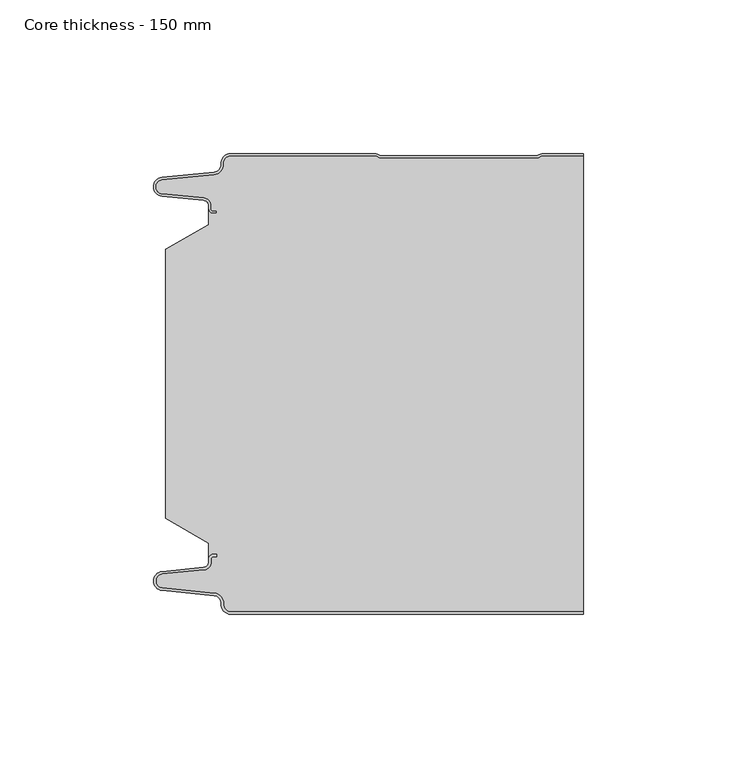
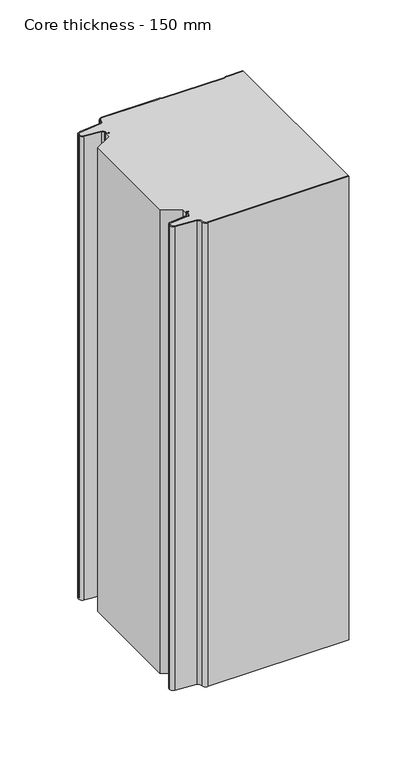
"""IFC4 building model written with IfcOpenShell, lengths in millimetres: plate geometry, Core thickness - 150 mm."""

import ifcopenshell
import ifcopenshell.guid

model = None  # the IFC model being written
_history = None  # IfcOwnerHistory: only IFC2X3 demands one
_inside = {}  # id of a spatial element -> (the spatial element, [elements in it])
_under = {}  # id of a project, library or spatial element -> (it, [spatial elements below it])
_declared = {}  # id of a project -> (the project, [libraries it declares])
_typed = {}  # id of a type object -> (the type object, [elements of that type])
_made_of = {}  # id of a material, layer set ... -> (it, [elements and type objects made of it])


def new_model(schema):
    """Start an empty IFC model of exactly this schema.

    Asked for "IFC4X3", IfcOpenShell would pick the latest addendum, in which some entities
    have other attributes; the version numbers below select the first issue.
    IFC2X3 requires an IfcOwnerHistory on every rooted entity: one is made here for all.
    """
    global model, _history
    if schema == "IFC4X3":
        model = ifcopenshell.file(schema_version=(4, 3, 0, 0))
    else:
        model = ifcopenshell.file(schema=schema)
    _inside.clear()
    _under.clear()
    _declared.clear()
    _typed.clear()
    _made_of.clear()
    _history = None
    if model.schema == "IFC2X3":
        org = make("IfcOrganization", Name="unknown")
        user = make(
            "IfcPersonAndOrganization",
            ThePerson=make("IfcPerson", FamilyName="unknown"),
            TheOrganization=org,
        )
        app = make(
            "IfcApplication",
            ApplicationDeveloper=org,
            Version="unknown",
            ApplicationFullName="unknown",
            ApplicationIdentifier="unknown",
        )
        _history = make(
            "IfcOwnerHistory",
            OwningUser=user,
            OwningApplication=app,
            ChangeAction="ADDED",
            CreationDate=0,
        )
    return model


def make(cls, **values):
    """One entity of the class cls with the attributes given. An attribute that is None is left unset."""
    return model.create_entity(
        cls, **{name: value for name, value in values.items() if value is not None}
    )


def rooted(cls, **values):
    """An entity with a GlobalId (a new one), such as an element, a storey or a relation."""
    return make(cls, GlobalId=ifcopenshell.guid.new(), OwnerHistory=_history, **values)


def si_unit(unit_type, name, prefix=None):
    """IfcSIUnit, for example si_unit("LENGTHUNIT", "METRE", prefix="MILLI")."""
    return make("IfcSIUnit", UnitType=unit_type, Prefix=prefix, Name=name)


def assignment(units):
    """IfcUnitAssignment: the units of a project."""
    return None if units is None else make("IfcUnitAssignment", Units=units)


def point(xyz):
    """IfcCartesianPoint."""
    return None if xyz is None else make("IfcCartesianPoint", Coordinates=xyz)


def direction(xyz):
    """IfcDirection."""
    return None if xyz is None else make("IfcDirection", DirectionRatios=xyz)


def frame(location, z_axis=None, x_axis=None):
    """IfcAxis2Placement3D, a coordinate frame: its origin and axes. An axis left out is left unset."""
    return make(
        "IfcAxis2Placement3D",
        Location=point(location),
        Axis=direction(z_axis),
        RefDirection=direction(x_axis),
    )


def origin():
    """The frame at (0, 0, 0) with its axes left unset."""
    return frame((0.0, 0.0, 0.0))


def place(relative_to, where):
    """IfcLocalPlacement: puts the frame where relative to a parent placement (None: the world)."""
    return make(
        "IfcLocalPlacement", PlacementRelTo=relative_to, RelativePlacement=where
    )


def context(
    kind, dimensions, precision=None, world=None, true_north=None, identifier=None
):
    """IfcGeometricRepresentationContext, for example the 3D "Model" context."""
    return make(
        "IfcGeometricRepresentationContext",
        ContextIdentifier=identifier,
        ContextType=kind,
        CoordinateSpaceDimension=dimensions,
        Precision=precision,
        WorldCoordinateSystem=world,
        TrueNorth=true_north,
    )


def project(units=None, contexts=None):
    """IfcProject with its units and contexts."""
    return rooted(
        "IfcProject",
        Name="project",
        RepresentationContexts=contexts,
        UnitsInContext=assignment(units),
    )


def spatial(cls, under=None, at=None, **own):
    """A site, building, storey or space (cls), placed at a placement, below another one or the project."""
    s = rooted(cls, ObjectPlacement=at, **own)
    if under is not None:
        _under.setdefault(under.id(), (under, []))[1].append(s)
    return s


def polyline(points):
    """IfcPolyline through the points."""
    return make("IfcPolyline", Points=[point(p) for p in points])


def circle_curve(where, radius):
    """IfcCircle in the frame where."""
    return make("IfcCircle", Position=where, Radius=radius)


def shape(context_of_items, identifier, shape_type, items):
    """IfcShapeRepresentation: the items that make up one representation, for example the "Body"."""
    return make(
        "IfcShapeRepresentation",
        ContextOfItems=context_of_items,
        RepresentationIdentifier=identifier,
        RepresentationType=shape_type,
        Items=items,
    )


def source(mapping_origin, context_of_items, identifier, shape_type, items):
    """IfcRepresentationMap: a shape defined once, which mapped items show again and again."""
    return make(
        "IfcRepresentationMap",
        MappingOrigin=mapping_origin,
        MappedRepresentation=shape(context_of_items, identifier, shape_type, items),
    )


def transform(
    local_origin,
    x_axis=None,
    y_axis=None,
    z_axis=None,
    scale=None,
    scale2=None,
    scale3=None,
    uniform=True,
):
    """IfcCartesianTransformationOperator3D, or its non-uniform kind. x_axis, y_axis, z_axis: its Axis1, 2, 3."""
    if uniform:
        return make(
            "IfcCartesianTransformationOperator3D",
            Axis1=direction(x_axis),
            Axis2=direction(y_axis),
            LocalOrigin=point(local_origin),
            Scale=scale,
            Axis3=direction(z_axis),
        )
    return make(
        "IfcCartesianTransformationOperator3DnonUniform",
        Axis1=direction(x_axis),
        Axis2=direction(y_axis),
        LocalOrigin=point(local_origin),
        Scale=scale,
        Axis3=direction(z_axis),
        Scale2=scale2,
        Scale3=scale3,
    )


def mapped(mapping_source, mapping_target):
    """IfcMappedItem: shows the shape of a source again, moved by a transform."""
    return make(
        "IfcMappedItem", MappingSource=mapping_source, MappingTarget=mapping_target
    )


def made_of(thing, what):
    """Note that an element or type object is made of a material, layer set ...; save() writes the relation."""
    if what is not None:
        _made_of.setdefault(what.id(), (what, []))[1].append(thing)
    return thing


def element(
    cls,
    number,
    at=None,
    inside=None,
    cuts=None,
    type_object=None,
    material=None,
    context=None,
    identifier="Body",
    shape_type=None,
    held_by="IfcProductDefinitionShape",
    body=None,
    shapes=None,
    **own,
):
    """One element of the class cls, such as IfcWall. Its Tag is "e" and its number.

    at: its placement. inside: the storey or other place that contains it. cuts: it is an
    opening in that element (IfcRelVoidsElement). A single representation is given by context,
    identifier, shape_type and body (its items); several are given by shapes. held_by: the class
    of the entity that holds the representations. save() writes the other relations.
    """
    e = rooted(cls, Tag="e%d" % number, ObjectPlacement=at, **own)
    if body is not None:
        shapes = [shape(context, identifier, shape_type, body)]
    if shapes is not None:
        e.Representation = make(held_by, Representations=shapes)
    if inside is not None:
        _inside.setdefault(inside.id(), (inside, []))[1].append(e)
    if cuts is not None:
        rooted(
            "IfcRelVoidsElement", RelatingBuildingElement=cuts, RelatedOpeningElement=e
        )
    if type_object is not None:
        _typed.setdefault(type_object.id(), (type_object, []))[1].append(e)
    return made_of(e, material)


def aggregate(whole, parts):
    """IfcRelAggregates: a whole, such as a stair, and the parts it consists of."""
    return rooted("IfcRelAggregates", RelatingObject=whole, RelatedObjects=parts)


def save(model, path):
    """Write the relations noted so far, then the file.

    IfcRelAggregates (storeys below a building ...), IfcRelContainedInSpatialStructure (elements
    in a storey), IfcRelDefinesByType, IfcRelAssociatesMaterial and IfcRelDeclares: one each for
    every whole, place, type object, material and project.
    """
    for whole, parts in _under.values():
        aggregate(whole, parts)
    for where, things in _inside.values():
        rooted(
            "IfcRelContainedInSpatialStructure",
            RelatedElements=things,
            RelatingStructure=where,
        )
    for kind, things in _typed.values():
        rooted("IfcRelDefinesByType", RelatedObjects=things, RelatingType=kind)
    for what, things in _made_of.values():
        rooted("IfcRelAssociatesMaterial", RelatedObjects=things, RelatingMaterial=what)
    for by, libraries in _declared.values():
        rooted("IfcRelDeclares", RelatingContext=by, RelatedDefinitions=libraries)
    model.write(path)


def plane_surface(at):
    """IfcPlane: the flat surface through the origin of the frame at, square to its z axis."""
    return make("IfcPlane", Position=at)


def cylinder_surface(at, radius):
    """IfcCylindricalSurface: all points at the distance radius from the z axis of the frame at."""
    return make("IfcCylindricalSurface", Position=at, Radius=radius)


def revolved_surface(curve, axis_point, axis_direction):
    """IfcSurfaceOfRevolution: the curve turned about the line through axis_point along axis_direction."""
    return make(
        "IfcSurfaceOfRevolution",
        SweptCurve=make("IfcArbitraryOpenProfileDef", ProfileType="CURVE", Curve=curve),
        AxisPosition=make("IfcAxis1Placement", Location=point(axis_point), Axis=direction(axis_direction)),
    )


def advanced_brep(points, edges, surfaces, faces):
    """IfcAdvancedBrep: a solid bounded by faces that lie on surfaces and meet in shared edges.

    An edge is (start, end): straight between two places in points (the first is 0);
    or (start, end, curve); or (start, end, curve, False) where it runs against its curve.
    A face is (place in surfaces, loops), or (place, loops, False) where it looks against
    its surface's normal. A loop lists edges by number (the first is 1), with a minus sign
    where the edge is run from its end to its start. The first loop is the outer one.
    """
    corners = [point(p) for p in points]
    vertices = [make("IfcVertexPoint", VertexGeometry=c) for c in corners]
    made = []
    for start, end, *more in edges:
        made.append(
            make(
                "IfcEdgeCurve",
                EdgeStart=vertices[start],
                EdgeEnd=vertices[end],
                EdgeGeometry=more[0] if more else make("IfcPolyline", Points=[corners[start], corners[end]]),
                SameSense=more[1] if len(more) > 1 else True,
            )
        )
    hull = []
    for where, loops, *sense in faces:
        bounds = []
        for j, loop in enumerate(loops):
            ring = [make("IfcOrientedEdge", EdgeElement=made[abs(k) - 1], Orientation=k > 0) for k in loop]
            bounds.append(
                make(
                    "IfcFaceOuterBound" if j == 0 else "IfcFaceBound",
                    Bound=make("IfcEdgeLoop", EdgeList=ring),
                    Orientation=True,
                )
            )
        hull.append(make("IfcAdvancedFace", Bounds=bounds, FaceSurface=surfaces[where], SameSense=sense[0] if sense else True))
    return make("IfcAdvancedBrep", Outer=make("IfcClosedShell", CfsFaces=hull))


def core_thickness_150_mm_d1e0f863(model_context):
    return source(origin(), model_context, "Body", "AdvancedBrep", [
        advanced_brep(
        [(-44.8000003, -149.9996949, 0.0), (-47.9923632, -146.5787437, 0.0), (-50.2560431, -143.9171154, 0.0), (-67.2115315, -142.2546153, 0.0), (-69.9999998, -139.1776715, 0.0), (-67.2115315, -136.1007278, 0.0), (-53.6195785, -134.7680252, 0.0), (-51.9952277, -132.9766159, 0.0), (-51.9952277, -131.8996949, 0.0), (-50.5952277, -130.4996949, 0.0), (-49.4952277, -130.4996949, 0.0), (-49.4952277, -131.2996949, 0.0), (-50.5952277, -131.2996949, 0.0), (-51.1952277, -131.8996949, 0.0), (-51.1952277, -132.9766159, 0.0), (-53.5415122, -135.5642071, 0.0), (-67.1334652, -136.8969097, 0.0), (-69.1999997, -139.1776715, 0.0), (-67.1334652, -141.4584333, 0.0), (-50.1779767, -143.1209335, 0.0), (-47.2078761, -146.6330399, 0.0), (-44.8000003, -149.1996949, 0.0), (69.9999998, -149.2, 0.0), (69.9999998, -149.9996949, 0.0), (-44.8000003, -149.1996949, 400.0), (-47.1942724, -146.6339815, 400.0), (-50.1779767, -143.1209335, 400.0), (-67.1334652, -141.4584333, 400.0), (-69.1999997, -139.1776715, 400.0), (-67.1334652, -136.8969097, 400.0), (-53.5415122, -135.5642071, 400.0), (-51.1952277, -132.9766159, 400.0), (-51.1952277, -131.8996949, 400.0), (-50.5952277, -131.2996949, 400.0), (-49.4952277, -131.2996949, 400.0), (-49.4952277, -130.4996949, 400.0), (-50.5952277, -130.4996949, 400.0), (-51.9952277, -131.8996949, 400.0), (-51.9952277, -132.9766159, 400.0), (-53.6195785, -134.7680252, 400.0), (-67.2115315, -136.1007278, 400.0), (-69.9999998, -139.1776715, 400.0), (-67.2115315, -142.2546153, 400.0), (-50.2560431, -143.9171154, 400.0), (-48.0059668, -146.5778021, 400.0), (-44.8000003, -149.9996949, 400.0), (69.9999998, -149.9996949, 400.0), (69.9999998, -149.2, 400.0)],
        [
            (0, 1, circle_curve(frame((-44.8000003, -146.7996949, 0.0), z_axis=(0.0, 0.0, -1.0), x_axis=(1.0, 0.0, 0.0)), 3.2)),
            (1, 2, circle_curve(frame((-50.5000003, -146.4051839, 0.0), z_axis=(0.0, 0.0, 1.0), x_axis=(1.0, 0.0, 0.0)), 2.5)),
            (2, 3),
            (3, 4, circle_curve(frame((-66.9100003, -139.1793626, 0.0), z_axis=(0.0, 0.0, -1.0), x_axis=(1.0, 0.0, 0.0)), 3.09)),
            (4, 5, circle_curve(frame((-66.9100003, -139.1759805, 0.0), z_axis=(0.0, 0.0, -1.0), x_axis=(1.0, 0.0, 0.0)), 3.09)),
            (5, 6),
            (6, 7, circle_curve(frame((-53.7952277, -132.9766159, 0.0), z_axis=(0.0, 0.0, 1.0), x_axis=(1.0, 0.0, 0.0)), 1.8)),
            (7, 8),
            (8, 9, circle_curve(frame((-50.5952277, -131.8996949, 0.0), z_axis=(0.0, 0.0, -1.0), x_axis=(1.0, 0.0, 0.0)), 1.4)),
            (9, 10),
            (10, 11),
            (11, 12),
            (12, 13, circle_curve(frame((-50.5952277, -131.8996949, 0.0), z_axis=(0.0, 0.0, 1.0), x_axis=(1.0, 0.0, 0.0)), 0.6)),
            (13, 14),
            (14, 15, circle_curve(frame((-53.7952277, -132.9766159, 0.0), z_axis=(0.0, 0.0, -1.0), x_axis=(1.0, 0.0, 0.0)), 2.6)),
            (15, 16),
            (16, 17, circle_curve(frame((-66.9100003, -139.1759805, 0.0), z_axis=(0.0, 0.0, 1.0), x_axis=(1.0, 0.0, 0.0)), 2.29)),
            (17, 18, circle_curve(frame((-66.9100003, -139.1793626, 0.0), z_axis=(0.0, 0.0, 1.0), x_axis=(1.0, 0.0, 0.0)), 2.29)),
            (18, 19),
            (19, 20, circle_curve(frame((-50.5000003, -146.4051839, 0.0), z_axis=(0.0, 0.0, -1.0), x_axis=(1.0, 0.0, 0.0)), 3.3)),
            (20, 21, circle_curve(frame((-44.8000003, -146.7996949, 0.0), z_axis=(0.0, 0.0, 1.0), x_axis=(1.0, 0.0, 0.0)), 2.4)),
            (21, 22),
            (22, 23),
            (23, 0),
            (24, 25, circle_curve(frame((-44.8000003, -146.7996949, 400.0), z_axis=(0.0, 0.0, -1.0), x_axis=(1.0, 0.0, 0.0)), 2.4)),
            (25, 26, circle_curve(frame((-50.5000003, -146.4051839, 400.0), z_axis=(0.0, 0.0, 1.0), x_axis=(1.0, 0.0, 0.0)), 3.3)),
            (26, 27),
            (27, 28, circle_curve(frame((-66.9100003, -139.1793626, 400.0), z_axis=(0.0, 0.0, -1.0), x_axis=(1.0, 0.0, 0.0)), 2.29)),
            (28, 29, circle_curve(frame((-66.9100003, -139.1759805, 400.0), z_axis=(0.0, 0.0, -1.0), x_axis=(1.0, 0.0, 0.0)), 2.29)),
            (29, 30),
            (30, 31, circle_curve(frame((-53.7952277, -132.9766159, 400.0), z_axis=(0.0, 0.0, 1.0), x_axis=(1.0, 0.0, 0.0)), 2.6)),
            (31, 32),
            (32, 33, circle_curve(frame((-50.5952277, -131.8996949, 400.0), z_axis=(0.0, 0.0, -1.0), x_axis=(1.0, 0.0, 0.0)), 0.6)),
            (33, 34),
            (34, 35),
            (35, 36),
            (36, 37, circle_curve(frame((-50.5952277, -131.8996949, 400.0), z_axis=(0.0, 0.0, 1.0), x_axis=(1.0, 0.0, 0.0)), 1.4)),
            (37, 38),
            (38, 39, circle_curve(frame((-53.7952277, -132.9766159, 400.0), z_axis=(0.0, 0.0, -1.0), x_axis=(1.0, 0.0, 0.0)), 1.8)),
            (39, 40),
            (40, 41, circle_curve(frame((-66.9100003, -139.1759805, 400.0), z_axis=(0.0, 0.0, 1.0), x_axis=(1.0, 0.0, 0.0)), 3.09)),
            (41, 42, circle_curve(frame((-66.9100003, -139.1793626, 400.0), z_axis=(0.0, 0.0, 1.0), x_axis=(1.0, 0.0, 0.0)), 3.09)),
            (42, 43),
            (43, 44, circle_curve(frame((-50.5000003, -146.4051839, 400.0), z_axis=(0.0, 0.0, -1.0), x_axis=(1.0, 0.0, 0.0)), 2.5)),
            (44, 45, circle_curve(frame((-44.8000003, -146.7996949, 400.0), z_axis=(0.0, 0.0, 1.0), x_axis=(1.0, 0.0, 0.0)), 3.2)),
            (45, 46),
            (46, 47),
            (47, 24),
            (21, 24),
            (47, 22),
            (20, 25),
            (19, 26),
            (18, 27),
            (17, 28),
            (16, 29),
            (15, 30),
            (14, 31),
            (13, 32),
            (12, 33),
            (11, 34),
            (10, 35),
            (9, 36),
            (8, 37),
            (7, 38),
            (6, 39),
            (5, 40),
            (4, 41),
            (3, 42),
            (2, 43),
            (1, 44),
            (0, 45),
            (23, 46),
        ],
        [
            plane_surface(frame((-69.9999998, -150.0, 0.0), z_axis=(0.0, 0.0, -1.0), x_axis=(0.0, 1.0, 0.0))),
            plane_surface(frame((-69.9999998, -150.0, 400.0), z_axis=(0.0, 0.0, 1.0), x_axis=(0.0, 1.0, 0.0))),
            plane_surface(frame((-44.8000003, -149.2, 0.0), z_axis=(0.0, 1.0, 0.0), x_axis=(0.0, 0.0, 1.0))),
            revolved_surface(polyline([(-42.4000003, -146.7996949, 400.0), (-42.4000003, -146.7996949, 0.0)]), (-44.8000003, -146.7996949, 0.0), (0.0, 0.0, 1.0)),
            cylinder_surface(frame((-50.5000003, -146.4051839, 0.0), z_axis=(0.0, 0.0, -1.0), x_axis=(1.0, 0.0, 0.0)), 3.3),
            plane_surface(frame((-67.1334652, -141.4584333, 0.0), z_axis=(0.09758289975914758, 0.9952273999818314, 0.0), x_axis=(0.0, 0.0, 1.0))),
            revolved_surface(polyline([(-64.62000029999999, -139.1793626, 400.0), (-64.62000029999999, -139.1793626, 0.0)]), (-66.9100003, -139.1793626, 0.0), (0.0, 0.0, 1.0)),
            revolved_surface(polyline([(-64.62000029999999, -139.1759805, 400.0), (-64.62000029999999, -139.1759805, 0.0)]), (-66.9100003, -139.1759805, 0.0), (0.0, 0.0, 1.0)),
            plane_surface(frame((-53.5415122, -135.5642071, 0.0), z_axis=(0.09758289975914383, -0.9952273999818317, 0.0), x_axis=(0.0, 0.0, 1.0))),
            cylinder_surface(frame((-53.7952277, -132.9766159, 0.0), z_axis=(0.0, 0.0, -1.0), x_axis=(1.0, 0.0, 0.0)), 2.6),
            plane_surface(frame((-51.1952277, -131.8996949, 0.0), z_axis=(1.0, 0.0, 0.0), x_axis=(0.0, 0.0, 1.0))),
            revolved_surface(polyline([(-49.9952277, -131.8996949, 400.0), (-49.9952277, -131.8996949, 0.0)]), (-50.5952277, -131.8996949, 0.0), (0.0, 0.0, 1.0)),
            plane_surface(frame((-49.4952277, -131.2996949, 0.0), z_axis=(0.0, -1.0, 0.0), x_axis=(0.0, 0.0, 1.0))),
            plane_surface(frame((-49.4952277, -130.4996949, 0.0), z_axis=(1.0, 0.0, 0.0), x_axis=(0.0, 0.0, 1.0))),
            plane_surface(frame((-50.5952277, -130.4996949, 0.0), z_axis=(0.0, 1.0, 0.0), x_axis=(0.0, 0.0, 1.0))),
            cylinder_surface(frame((-50.5952277, -131.8996949, 0.0), z_axis=(0.0, 0.0, -1.0), x_axis=(1.0, 0.0, 0.0)), 1.4),
            plane_surface(frame((-51.9952277, -132.9766159, 0.0), z_axis=(-1.0, 0.0, 0.0), x_axis=(0.0, 0.0, 1.0))),
            revolved_surface(polyline([(-51.9952277, -132.9766159, 400.0), (-51.9952277, -132.9766159, 0.0)]), (-53.7952277, -132.9766159, 0.0), (0.0, 0.0, 1.0)),
            plane_surface(frame((-67.2115315, -136.1007278, 0.0), z_axis=(-0.09758289975914387, 0.9952273999818317, 0.0), x_axis=(0.0, 0.0, 1.0))),
            cylinder_surface(frame((-66.9100003, -139.1759805, 0.0), z_axis=(0.0, 0.0, -1.0), x_axis=(1.0, 0.0, 0.0)), 3.09),
            cylinder_surface(frame((-66.9100003, -139.1793626, 0.0), z_axis=(0.0, 0.0, -1.0), x_axis=(1.0, 0.0, 0.0)), 3.09),
            plane_surface(frame((-50.2560431, -143.9171154, 0.0), z_axis=(-0.09758289975914762, -0.9952273999818314, 0.0), x_axis=(0.0, 0.0, 1.0))),
            revolved_surface(polyline([(-48.0000003, -146.4051839, 400.0), (-48.0000003, -146.4051839, 0.0)]), (-50.5000003, -146.4051839, 0.0), (0.0, 0.0, 1.0)),
            cylinder_surface(frame((-44.8000003, -146.7996949, 0.0), z_axis=(0.0, 0.0, -1.0), x_axis=(1.0, 0.0, 0.0)), 3.2),
            plane_surface(frame((1046.009932, -149.9996949, 0.0), z_axis=(0.0, -1.0, 0.0), x_axis=(0.0, 0.0, 1.0))),
            plane_surface(frame((69.9999998, 180.0, 400.0), z_axis=(1.0, 0.0, 0.0), x_axis=(0.0, 0.0, -1.0))),
        ],
        [
            (0, [[1, 2, 3, 4, 5, 6, 7, 8, 9, 10, 11, 12, 13, 14, 15, 16, 17, 18, 19, 20, 21, 22, 23, 24]]),
            (1, [[25, 26, 27, 28, 29, 30, 31, 32, 33, 34, 35, 36, 37, 38, 39, 40, 41, 42, 43, 44, 45, 46, 47, 48]]),
            (2, [[49, -48, 50, -22]]),
            (3, [[-21, 51, -25, -49]]),
            (4, [[-20, 52, -26, -51]]),
            (5, [[-19, 53, -27, -52]]),
            (6, [[-18, 54, -28, -53]]),
            (7, [[-17, 55, -29, -54]]),
            (8, [[-16, 56, -30, -55]]),
            (9, [[-15, 57, -31, -56]]),
            (10, [[-14, 58, -32, -57]]),
            (11, [[-13, 59, -33, -58]]),
            (12, [[-12, 60, -34, -59]]),
            (13, [[-11, 61, -35, -60]]),
            (14, [[-10, 62, -36, -61]]),
            (15, [[-9, 63, -37, -62]]),
            (16, [[-8, 64, -38, -63]]),
            (17, [[-7, 65, -39, -64]]),
            (18, [[-6, 66, -40, -65]]),
            (19, [[-5, 67, -41, -66]]),
            (20, [[-4, 68, -42, -67]]),
            (21, [[-3, 69, -43, -68]]),
            (22, [[-2, 70, -44, -69]]),
            (23, [[-1, 71, -45, -70]]),
            (24, [[-71, -24, 72, -46]]),
            (25, [[-23, -50, -47, -72]]),
        ],
    ),
        advanced_brep(
        [(-51.9952277, -23.1062917, 400.0), (-66.0446509, -31.1628062, 400.0), (-66.0446509, -118.7531937, 400.0), (-51.9952277, -126.8937083, 400.0), (-51.9952277, -130.4996949, 400.0), (-51.9952277, -131.8996949, 400.0), (-50.5952277, -130.4996949, 400.0), (-49.4952277, -130.4996949, 400.0), (-49.4952277, -131.2996949, 400.0), (-50.5952277, -131.2996949, 400.0), (-51.1952277, -131.8996949, 400.0), (-51.1952277, -132.9766159, 400.0), (-53.5415122, -135.5642071, 400.0), (-67.1334652, -136.8969097, 400.0), (-69.1999997, -139.1776715, 400.0), (-67.1334652, -141.4584333, 400.0), (-50.1779767, -143.1209335, 400.0), (-47.2078761, -146.6330399, 400.0), (-44.8000003, -149.1996949, 400.0), (69.9999998, -149.2, 400.0), (69.9999998, -0.8, 400.0), (57.0487965, -0.8, 400.0), (55.9973806, -1.0986697, 400.0), (54.5769997, -1.5003051, 400.0), (4.4172165, -1.5003051, 400.0), (2.9978051, -1.0971009, 400.0), (1.9454197, -0.8, 400.0), (-44.8000003, -0.8, 400.0), (-47.1942724, -3.3660185, 400.0), (-50.1779767, -6.8790665, 400.0), (-67.1334652, -8.5415667, 400.0), (-69.1999997, -10.8223285, 400.0), (-67.1334652, -13.1030903, 400.0), (-53.5415122, -14.4357929, 400.0), (-51.1952277, -17.0233841, 400.0), (-51.1952277, -18.1003051, 400.0), (-50.5952277, -18.7003051, 400.0), (-49.4952277, -18.7003051, 400.0), (-49.4952277, -19.5003051, 400.0), (-50.5952277, -19.5003051, 400.0), (-51.9952277, -18.1003051, 400.0), (-51.9952277, -19.5003051, 400.0), (-51.9952277, -126.8937083, 0.0), (-66.0446509, -118.7531937, 0.0), (-66.0446509, -31.1628062, 0.0), (-51.9952277, -23.1062917, 0.0), (-51.9952277, -19.5003051, 0.0), (-51.9952277, -18.1003051, 0.0), (-50.5952277, -19.5003051, 0.0), (-49.4952277, -19.5003051, 0.0), (-49.4952277, -18.7003051, 0.0), (-50.5952277, -18.7003051, 0.0), (-51.1952277, -18.1003051, 0.0), (-51.1952277, -17.0233841, 0.0), (-53.5415122, -14.4357929, 0.0), (-67.1334652, -13.1030903, 0.0), (-69.1999997, -10.8223285, 0.0), (-67.1334652, -8.5415667, 0.0), (-50.1779767, -6.8790665, 0.0), (-47.2078761, -3.3669601, 0.0), (-44.8000003, -0.8003051, 0.0), (1.9454197, -0.8, 0.0), (2.9968355, -1.0986697, 0.0), (4.4172165, -1.5003051, 0.0), (54.5769997, -1.5003051, 0.0), (55.9964111, -1.0971009, 0.0), (57.0487965, -0.8, 0.0), (69.9999998, -0.8, 0.0), (69.9999998, -149.2, 0.0), (-44.8000003, -149.2, 0.0), (-47.1942724, -146.6339815, 0.0), (-50.1779767, -143.1209335, 0.0), (-67.1334652, -141.4584333, 0.0), (-69.1999997, -139.1776715, 0.0), (-67.1334652, -136.8969097, 0.0), (-53.5415122, -135.5642071, 0.0), (-51.1952277, -132.9766159, 0.0), (-51.1952277, -131.8996949, 0.0), (-50.5952277, -131.2996949, 0.0), (-49.4952277, -131.2996949, 0.0), (-49.4952277, -130.4996949, 0.0), (-50.5952277, -130.4996949, 0.0), (-51.9952277, -131.8996949, 0.0), (-51.9952277, -130.4996949, 0.0)],
        [
            (0, 1),
            (1, 2),
            (2, 3),
            (3, 4),
            (4, 5),
            (5, 6, circle_curve(frame((-50.5952277, -131.8996949, 400.0), z_axis=(0.0, 0.0, -1.0), x_axis=(1.0, 0.0, 0.0)), 1.4)),
            (6, 7),
            (7, 8),
            (8, 9),
            (9, 10, circle_curve(frame((-50.5952277, -131.8996949, 400.0), z_axis=(0.0, 0.0, 1.0), x_axis=(1.0, 0.0, 0.0)), 0.6)),
            (10, 11),
            (11, 12, circle_curve(frame((-53.7952277, -132.9766159, 400.0), z_axis=(0.0, 0.0, -1.0), x_axis=(1.0, 0.0, 0.0)), 2.6)),
            (12, 13),
            (13, 14, circle_curve(frame((-66.9100003, -139.1759805, 400.0), z_axis=(0.0, 0.0, 1.0), x_axis=(1.0, 0.0, 0.0)), 2.29)),
            (14, 15, circle_curve(frame((-66.9100003, -139.1793626, 400.0), z_axis=(0.0, 0.0, 1.0), x_axis=(1.0, 0.0, 0.0)), 2.29)),
            (15, 16),
            (16, 17, circle_curve(frame((-50.5000003, -146.4051839, 400.0), z_axis=(0.0, 0.0, -1.0), x_axis=(1.0, 0.0, 0.0)), 3.3)),
            (17, 18, circle_curve(frame((-44.8000003, -146.7996949, 400.0), z_axis=(0.0, 0.0, 1.0), x_axis=(1.0, 0.0, 0.0)), 2.4)),
            (18, 19),
            (19, 20),
            (20, 21),
            (21, 22, circle_curve(frame((57.0487965, -2.8, 400.0), z_axis=(0.0, 0.0, 1.0), x_axis=(1.0, 0.0, 0.0)), 2.0)),
            (22, 23, circle_curve(frame((54.5769997, 1.1996949, 400.0), z_axis=(0.0, 0.0, -1.0), x_axis=(1.0, 0.0, 0.0)), 2.7)),
            (23, 24),
            (24, 25, circle_curve(frame((4.4172165, 1.1996949, 400.0), z_axis=(0.0, 0.0, -1.0), x_axis=(1.0, 0.0, 0.0)), 2.7)),
            (25, 26, circle_curve(frame((1.9454197, -2.8, 400.0), z_axis=(0.0, 0.0, 1.0), x_axis=(1.0, 0.0, 0.0)), 2.0)),
            (26, 27),
            (27, 28, circle_curve(frame((-44.8000003, -3.2003051, 400.0), z_axis=(0.0, 0.0, 1.0), x_axis=(1.0, 0.0, 0.0)), 2.4)),
            (28, 29, circle_curve(frame((-50.5000003, -3.5948161, 400.0), z_axis=(0.0, 0.0, -1.0), x_axis=(1.0, 0.0, 0.0)), 3.3)),
            (29, 30),
            (30, 31, circle_curve(frame((-66.9100003, -10.8206374, 400.0), z_axis=(0.0, 0.0, 1.0), x_axis=(1.0, 0.0, 0.0)), 2.29)),
            (31, 32, circle_curve(frame((-66.9100003, -10.8240195, 400.0), z_axis=(0.0, 0.0, 1.0), x_axis=(1.0, 0.0, 0.0)), 2.29)),
            (32, 33),
            (33, 34, circle_curve(frame((-53.7952277, -17.0233841, 400.0), z_axis=(0.0, 0.0, -1.0), x_axis=(1.0, 0.0, 0.0)), 2.6)),
            (34, 35),
            (35, 36, circle_curve(frame((-50.5952277, -18.1003051, 400.0), z_axis=(0.0, 0.0, 1.0), x_axis=(1.0, 0.0, 0.0)), 0.6)),
            (36, 37),
            (37, 38),
            (38, 39),
            (39, 40, circle_curve(frame((-50.5952277, -18.1003051, 400.0), z_axis=(0.0, 0.0, -1.0), x_axis=(1.0, 0.0, 0.0)), 1.4)),
            (40, 41),
            (41, 0),
            (42, 43),
            (43, 44),
            (44, 45),
            (45, 46),
            (46, 47),
            (47, 48, circle_curve(frame((-50.5952277, -18.1003051, 0.0), z_axis=(0.0, 0.0, 1.0), x_axis=(1.0, 0.0, 0.0)), 1.4)),
            (48, 49),
            (49, 50),
            (50, 51),
            (51, 52, circle_curve(frame((-50.5952277, -18.1003051, 0.0), z_axis=(0.0, 0.0, -1.0), x_axis=(1.0, 0.0, 0.0)), 0.6)),
            (52, 53),
            (53, 54, circle_curve(frame((-53.7952277, -17.0233841, 0.0), z_axis=(0.0, 0.0, 1.0), x_axis=(1.0, 0.0, 0.0)), 2.6)),
            (54, 55),
            (55, 56, circle_curve(frame((-66.9100003, -10.8240195, 0.0), z_axis=(0.0, 0.0, -1.0), x_axis=(1.0, 0.0, 0.0)), 2.29)),
            (56, 57, circle_curve(frame((-66.9100003, -10.8206374, 0.0), z_axis=(0.0, 0.0, -1.0), x_axis=(1.0, 0.0, 0.0)), 2.29)),
            (57, 58),
            (58, 59, circle_curve(frame((-50.5000003, -3.5948161, 0.0), z_axis=(0.0, 0.0, 1.0), x_axis=(1.0, 0.0, 0.0)), 3.3)),
            (59, 60, circle_curve(frame((-44.8000003, -3.2003051, 0.0), z_axis=(0.0, 0.0, -1.0), x_axis=(1.0, 0.0, 0.0)), 2.4)),
            (60, 61),
            (61, 62, circle_curve(frame((1.9454197, -2.8, 0.0), z_axis=(0.0, 0.0, -1.0), x_axis=(1.0, 0.0, 0.0)), 2.0)),
            (62, 63, circle_curve(frame((4.4172165, 1.1996949, 0.0), z_axis=(0.0, 0.0, 1.0), x_axis=(1.0, 0.0, 0.0)), 2.7)),
            (63, 64),
            (64, 65, circle_curve(frame((54.5769997, 1.1996949, 0.0), z_axis=(0.0, 0.0, 1.0), x_axis=(1.0, 0.0, 0.0)), 2.7)),
            (65, 66, circle_curve(frame((57.0487965, -2.8, 0.0), z_axis=(0.0, 0.0, -1.0), x_axis=(1.0, 0.0, 0.0)), 2.0)),
            (66, 67),
            (67, 68),
            (68, 69),
            (69, 70, circle_curve(frame((-44.8000003, -146.7996949, 0.0), z_axis=(0.0, 0.0, -1.0), x_axis=(1.0, 0.0, 0.0)), 2.4)),
            (70, 71, circle_curve(frame((-50.5000003, -146.4051839, 0.0), z_axis=(0.0, 0.0, 1.0), x_axis=(1.0, 0.0, 0.0)), 3.3)),
            (71, 72),
            (72, 73, circle_curve(frame((-66.9100003, -139.1793626, 0.0), z_axis=(0.0, 0.0, -1.0), x_axis=(1.0, 0.0, 0.0)), 2.29)),
            (73, 74, circle_curve(frame((-66.9100003, -139.1759805, 0.0), z_axis=(0.0, 0.0, -1.0), x_axis=(1.0, 0.0, 0.0)), 2.29)),
            (74, 75),
            (75, 76, circle_curve(frame((-53.7952277, -132.9766159, 0.0), z_axis=(0.0, 0.0, 1.0), x_axis=(1.0, 0.0, 0.0)), 2.6)),
            (76, 77),
            (77, 78, circle_curve(frame((-50.5952277, -131.8996949, 0.0), z_axis=(0.0, 0.0, -1.0), x_axis=(1.0, 0.0, 0.0)), 0.6)),
            (78, 79),
            (79, 80),
            (80, 81),
            (81, 82, circle_curve(frame((-50.5952277, -131.8996949, 0.0), z_axis=(0.0, 0.0, 1.0), x_axis=(1.0, 0.0, 0.0)), 1.4)),
            (82, 83),
            (83, 42),
            (45, 0),
            (40, 47),
            (1, 44),
            (43, 2),
            (42, 3),
            (82, 5),
            (18, 69),
            (68, 19),
            (17, 70),
            (16, 71),
            (15, 72),
            (14, 73),
            (13, 74),
            (12, 75),
            (11, 76),
            (10, 77),
            (9, 78),
            (8, 79),
            (7, 80),
            (6, 81),
            (60, 27),
            (26, 61),
            (25, 62),
            (24, 63),
            (23, 64),
            (22, 65),
            (21, 66),
            (20, 67),
            (39, 48),
            (38, 49),
            (37, 50),
            (36, 51),
            (35, 52),
            (34, 53),
            (33, 54),
            (32, 55),
            (31, 56),
            (30, 57),
            (29, 58),
            (28, 59),
        ],
        [
            plane_surface(frame((-69.9999998, 0.0, 400.0), z_axis=(0.0, 0.0, 1.0), x_axis=(0.0, -1.0, 0.0))),
            plane_surface(frame((-69.9999998, 0.0, 0.0), z_axis=(0.0, 0.0, -1.0), x_axis=(0.0, -1.0, 0.0))),
            plane_surface(frame((-51.9952277, -17.0229218, 400.0), z_axis=(-1.0, 0.0, 0.0), x_axis=(0.0, 0.0, -1.0))),
            plane_surface(frame((-66.0446509, -31.1628062, 400.0), z_axis=(-1.0, 0.0, 0.0), x_axis=(0.0, 0.0, -1.0))),
            plane_surface(frame((-51.9952277, -23.1062917, 400.0), z_axis=(-0.4974543664933155, 0.8674901459133322, 0.0), x_axis=(0.0, 0.0, -1.0))),
            plane_surface(frame((-66.0446509, -118.7531937, 400.0), z_axis=(-0.5013424225369607, -0.8652489672717164, 0.0), x_axis=(0.0, 0.0, -1.0))),
            plane_surface(frame((-51.9952277, -126.8937083, 400.0), z_axis=(-1.0, 0.0, 0.0), x_axis=(0.0, 0.0, -1.0))),
            plane_surface(frame((1046.009932, -149.2, 530.0), z_axis=(0.0, -1.0, 0.0), x_axis=(0.0, 0.0, -1.0))),
            cylinder_surface(frame((-44.8000003, -146.7996949, 530.0), z_axis=(0.0, 0.0, -1.0), x_axis=(1.0, 0.0, 0.0)), 2.4),
            revolved_surface(polyline([(-47.200000300000006, -146.4051839, 400.0), (-47.200000300000006, -146.4051839, 0.0)]), (-50.5000003, -146.4051839, 530.0), (0.0, 0.0, 1.0)),
            plane_surface(frame((-50.1779767, -143.1209335, 530.0), z_axis=(-0.09758289975914758, -0.9952273999818314, 0.0), x_axis=(0.0, 0.0, -1.0))),
            cylinder_surface(frame((-66.9100003, -139.1793626, 530.0), z_axis=(0.0, 0.0, -1.0), x_axis=(1.0, 0.0, 0.0)), 2.29),
            cylinder_surface(frame((-66.9100003, -139.1759805, 530.0), z_axis=(0.0, 0.0, -1.0), x_axis=(1.0, 0.0, 0.0)), 2.29),
            plane_surface(frame((-67.1334652, -136.8969097, 530.0), z_axis=(-0.09758289975914383, 0.9952273999818317, 0.0), x_axis=(0.0, 0.0, -1.0))),
            revolved_surface(polyline([(-51.1952277, -132.9766159, 400.0), (-51.1952277, -132.9766159, 0.0)]), (-53.7952277, -132.9766159, 530.0), (0.0, 0.0, 1.0)),
            plane_surface(frame((-51.1952277, -132.9766159, 530.0), z_axis=(-1.0, 0.0, 0.0), x_axis=(0.0, 0.0, -1.0))),
            cylinder_surface(frame((-50.5952277, -131.8996949, 530.0), z_axis=(0.0, 0.0, -1.0), x_axis=(1.0, 0.0, 0.0)), 0.6),
            plane_surface(frame((-50.5952277, -131.2996949, 530.0), z_axis=(0.0, 1.0, 0.0), x_axis=(0.0, 0.0, -1.0))),
            plane_surface(frame((-49.4952277, -131.2996949, 530.0), z_axis=(-1.0, 0.0, 0.0), x_axis=(0.0, 0.0, -1.0))),
            plane_surface(frame((-49.4952277, -130.4996949, 530.0), z_axis=(0.0, -1.0, 0.0), x_axis=(0.0, 0.0, -1.0))),
            revolved_surface(polyline([(-49.195227700000004, -131.8996949, 400.0), (-49.195227700000004, -131.8996949, 0.0)]), (-50.5952277, -131.8996949, 530.0), (0.0, 0.0, 1.0)),
            plane_surface(frame((-44.8000003, -0.8, 530.0), z_axis=(0.0, 1.0, 0.0), x_axis=(0.0, 0.0, -1.0))),
            cylinder_surface(frame((1.9454197, -2.8, 530.0), z_axis=(0.0, 0.0, -1.0), x_axis=(1.0, 0.0, 0.0)), 2.0),
            revolved_surface(polyline([(7.1172165000000005, 1.1996949, 400.0), (7.1172165000000005, 1.1996949, 0.0)]), (4.4172165, 1.1996949, 530.0), (0.0, 0.0, 1.0)),
            plane_surface(frame((4.4172165, -1.5003051, 530.0), z_axis=(0.0, 1.0, 0.0), x_axis=(0.0, 0.0, -1.0))),
            revolved_surface(polyline([(57.276999700000005, 1.1996949, 400.0), (57.276999700000005, 1.1996949, 0.0)]), (54.5769997, 1.1996949, 530.0), (0.0, 0.0, 1.0)),
            cylinder_surface(frame((57.0487965, -2.8, 530.0), z_axis=(0.0, 0.0, -1.0), x_axis=(1.0, 0.0, 0.0)), 2.0),
            plane_surface(frame((57.0487965, -0.8, 530.0), z_axis=(0.0, 1.0, 0.0), x_axis=(0.0, 0.0, -1.0))),
            revolved_surface(polyline([(-49.195227700000004, -18.1003051, 400.0), (-49.195227700000004, -18.1003051, 0.0)]), (-50.5952277, -18.1003051, 530.0), (0.0, 0.0, 1.0)),
            plane_surface(frame((-50.5952277, -19.5003051, 530.0), z_axis=(0.0, 1.0, 0.0), x_axis=(0.0, 0.0, -1.0))),
            plane_surface(frame((-49.4952277, -19.5003051, 530.0), z_axis=(-1.0, 0.0, 0.0), x_axis=(0.0, 0.0, -1.0))),
            plane_surface(frame((-49.4952277, -18.7003051, 530.0), z_axis=(0.0, -1.0, 0.0), x_axis=(0.0, 0.0, -1.0))),
            cylinder_surface(frame((-50.5952277, -18.1003051, 530.0), z_axis=(0.0, 0.0, -1.0), x_axis=(1.0, 0.0, 0.0)), 0.6),
            plane_surface(frame((-51.1952277, -18.1003051, 530.0), z_axis=(-1.0, 0.0, 0.0), x_axis=(0.0, 0.0, -1.0))),
            revolved_surface(polyline([(-51.1952277, -17.0233841, 400.0), (-51.1952277, -17.0233841, 0.0)]), (-53.7952277, -17.0233841, 530.0), (0.0, 0.0, 1.0)),
            plane_surface(frame((-53.5415122, -14.4357929, 530.0), z_axis=(-0.09758289975914705, -0.9952273999818314, 0.0), x_axis=(0.0, 0.0, -1.0))),
            cylinder_surface(frame((-66.9100003, -10.8240195, 530.0), z_axis=(0.0, 0.0, -1.0), x_axis=(1.0, 0.0, 0.0)), 2.29),
            cylinder_surface(frame((-66.9100003, -10.8206374, 530.0), z_axis=(0.0, 0.0, -1.0), x_axis=(1.0, 0.0, 0.0)), 2.29),
            plane_surface(frame((-67.1334652, -8.5415667, 530.0), z_axis=(-0.09758289975914436, 0.9952273999818317, 0.0), x_axis=(0.0, 0.0, -1.0))),
            revolved_surface(polyline([(-47.200000300000006, -3.5948161, 400.0), (-47.200000300000006, -3.5948161, 0.0)]), (-50.5000003, -3.5948161, 530.0), (0.0, 0.0, 1.0)),
            cylinder_surface(frame((-44.8000003, -3.2003051, 530.0), z_axis=(0.0, 0.0, -1.0), x_axis=(1.0, 0.0, 0.0)), 2.4),
            plane_surface(frame((69.9999998, 180.0, 400.0), z_axis=(1.0, 0.0, 0.0), x_axis=(0.0, 0.0, -1.0))),
        ],
        [
            (0, [[1, 2, 3, 4, 5, 6, 7, 8, 9, 10, 11, 12, 13, 14, 15, 16, 17, 18, 19, 20, 21, 22, 23, 24, 25, 26, 27, 28, 29, 30, 31, 32, 33, 34, 35, 36, 37, 38, 39, 40, 41, 42]]),
            (1, [[43, 44, 45, 46, 47, 48, 49, 50, 51, 52, 53, 54, 55, 56, 57, 58, 59, 60, 61, 62, 63, 64, 65, 66, 67, 68, 69, 70, 71, 72, 73, 74, 75, 76, 77, 78, 79, 80, 81, 82, 83, 84]]),
            (2, [[85, -42, -41, 86, -47, -46]]),
            (3, [[-2, 87, -44, 88]]),
            (4, [[-1, -85, -45, -87]]),
            (5, [[-3, -88, -43, 89]]),
            (6, [[-89, -84, -83, 90, -5, -4]]),
            (7, [[91, -69, 92, -19]]),
            (8, [[-91, -18, 93, -70]]),
            (9, [[-93, -17, 94, -71]]),
            (10, [[-94, -16, 95, -72]]),
            (11, [[-95, -15, 96, -73]]),
            (12, [[-96, -14, 97, -74]]),
            (13, [[-97, -13, 98, -75]]),
            (14, [[-98, -12, 99, -76]]),
            (15, [[-99, -11, 100, -77]]),
            (16, [[-100, -10, 101, -78]]),
            (17, [[-101, -9, 102, -79]]),
            (18, [[-102, -8, 103, -80]]),
            (19, [[-103, -7, 104, -81]]),
            (20, [[-104, -6, -90, -82]]),
            (21, [[105, -27, 106, -61]]),
            (22, [[-106, -26, 107, -62]]),
            (23, [[-107, -25, 108, -63]]),
            (24, [[-108, -24, 109, -64]]),
            (25, [[-109, -23, 110, -65]]),
            (26, [[-110, -22, 111, -66]]),
            (27, [[-111, -21, 112, -67]]),
            (28, [[113, -48, -86, -40]]),
            (29, [[-113, -39, 114, -49]]),
            (30, [[-114, -38, 115, -50]]),
            (31, [[-115, -37, 116, -51]]),
            (32, [[-116, -36, 117, -52]]),
            (33, [[-117, -35, 118, -53]]),
            (34, [[-118, -34, 119, -54]]),
            (35, [[-119, -33, 120, -55]]),
            (36, [[-120, -32, 121, -56]]),
            (37, [[-121, -31, 122, -57]]),
            (38, [[-122, -30, 123, -58]]),
            (39, [[-123, -29, 124, -59]]),
            (40, [[-105, -60, -124, -28]]),
            (41, [[-92, -68, -112, -20]]),
        ],
    ),
        advanced_brep(
        [(2.9968355, -1.0986697, 0.0), (1.9454197, -0.8, 0.0), (-44.8000003, -0.8, 0.0), (-47.1942724, -3.3660185, 0.0), (-50.1779767, -6.8790665, 0.0), (-67.1334652, -8.5415667, 0.0), (-69.1999997, -10.8223285, 0.0), (-67.1334652, -13.1030903, 0.0), (-53.5415122, -14.4357929, 0.0), (-51.1952277, -17.0233841, 0.0), (-51.1952277, -18.1003051, 0.0), (-50.5952277, -18.7003051, 0.0), (-49.4952277, -18.7003051, 0.0), (-49.4952277, -19.5003051, 0.0), (-50.5952277, -19.5003051, 0.0), (-51.9952277, -18.1003051, 0.0), (-51.9952277, -17.0233841, 0.0), (-53.6195785, -15.2319748, 0.0), (-67.2115315, -13.8992722, 0.0), (-69.9999998, -10.8223285, 0.0), (-67.2115315, -7.7453847, 0.0), (-50.2560431, -6.0828846, 0.0), (-48.0059668, -3.4221979, 0.0), (-44.8000003, -0.0003051, 0.0), (1.9454197, -0.0003051, 0.0), (3.3647528, -0.4034608, 0.0), (4.4172165, -0.7003051, 0.0), (54.5769997, -0.7003051, 0.0), (55.6283575, -0.4016712, 0.0), (57.0487965, -0.0003051, 0.0), (69.9999998, -0.0003051, 0.0), (69.9999998, -0.8, 0.0), (57.0487965, -0.8, 0.0), (55.9973806, -1.0986697, 0.0), (54.5769997, -1.5003051, 0.0), (4.4172165, -1.5003051, 0.0), (2.9978051, -1.0971009, 400.0), (4.4172165, -1.5003051, 400.0), (54.5769997, -1.5003051, 400.0), (55.9964111, -1.0971009, 400.0), (57.0487965, -0.8, 400.0), (69.9999998, -0.8, 400.0), (69.9999998, -0.0003051, 400.0), (57.0487965, -0.0003051, 400.0), (55.6294634, -0.4034608, 400.0), (54.5769997, -0.7003051, 400.0), (4.4172165, -0.7003051, 400.0), (3.3658586, -0.4016712, 400.0), (1.9454197, -0.0003051, 400.0), (-44.8000003, -0.0003051, 400.0), (-47.9923632, -3.4212563, 400.0), (-50.2560431, -6.0828846, 400.0), (-67.2115315, -7.7453847, 400.0), (-69.9999998, -10.8223285, 400.0), (-67.2115315, -13.8992722, 400.0), (-53.6195785, -15.2319748, 400.0), (-51.9952277, -17.0233841, 400.0), (-51.9952277, -18.1003051, 400.0), (-50.5952277, -19.5003051, 400.0), (-49.4952277, -19.5003051, 400.0), (-49.4952277, -18.7003051, 400.0), (-50.5952277, -18.7003051, 400.0), (-51.1952277, -18.1003051, 400.0), (-51.1952277, -17.0233841, 400.0), (-53.5415122, -14.4357929, 400.0), (-67.1334652, -13.1030903, 400.0), (-69.1999997, -10.8223285, 400.0), (-67.1334652, -8.5415667, 400.0), (-50.1779767, -6.8790665, 400.0), (-47.2078761, -3.3669601, 400.0), (-44.8000003, -0.8003051, 400.0), (1.9454197, -0.8, 400.0)],
        [
            (0, 1, circle_curve(frame((1.9454197, -2.8, 0.0), z_axis=(0.0, 0.0, 1.0), x_axis=(1.0, 0.0, 0.0)), 2.0)),
            (1, 2),
            (2, 3, circle_curve(frame((-44.8000003, -3.2003051, 0.0), z_axis=(0.0, 0.0, 1.0), x_axis=(1.0, 0.0, 0.0)), 2.4)),
            (3, 4, circle_curve(frame((-50.5000003, -3.5948161, 0.0), z_axis=(0.0, 0.0, -1.0), x_axis=(1.0, 0.0, 0.0)), 3.3)),
            (4, 5),
            (5, 6, circle_curve(frame((-66.9100003, -10.8206374, 0.0), z_axis=(0.0, 0.0, 1.0), x_axis=(1.0, 0.0, 0.0)), 2.29)),
            (6, 7, circle_curve(frame((-66.9100003, -10.8240195, 0.0), z_axis=(0.0, 0.0, 1.0), x_axis=(1.0, 0.0, 0.0)), 2.29)),
            (7, 8),
            (8, 9, circle_curve(frame((-53.7952277, -17.0233841, 0.0), z_axis=(0.0, 0.0, -1.0), x_axis=(1.0, 0.0, 0.0)), 2.6)),
            (9, 10),
            (10, 11, circle_curve(frame((-50.5952277, -18.1003051, 0.0), z_axis=(0.0, 0.0, 1.0), x_axis=(1.0, 0.0, 0.0)), 0.6)),
            (11, 12),
            (12, 13),
            (13, 14),
            (14, 15, circle_curve(frame((-50.5952277, -18.1003051, 0.0), z_axis=(0.0, 0.0, -1.0), x_axis=(1.0, 0.0, 0.0)), 1.4)),
            (15, 16),
            (16, 17, circle_curve(frame((-53.7952277, -17.0233841, 0.0), z_axis=(0.0, 0.0, 1.0), x_axis=(1.0, 0.0, 0.0)), 1.8)),
            (17, 18),
            (18, 19, circle_curve(frame((-66.9100003, -10.8240195, 0.0), z_axis=(0.0, 0.0, -1.0), x_axis=(1.0, 0.0, 0.0)), 3.09)),
            (19, 20, circle_curve(frame((-66.9100003, -10.8206374, 0.0), z_axis=(0.0, 0.0, -1.0), x_axis=(1.0, 0.0, 0.0)), 3.09)),
            (20, 21),
            (21, 22, circle_curve(frame((-50.5000003, -3.5948161, 0.0), z_axis=(0.0, 0.0, 1.0), x_axis=(1.0, 0.0, 0.0)), 2.5)),
            (22, 23, circle_curve(frame((-44.8000003, -3.2003051, 0.0), z_axis=(0.0, 0.0, -1.0), x_axis=(1.0, 0.0, 0.0)), 3.2)),
            (23, 24),
            (24, 25, circle_curve(frame((1.9454197, -2.7003051, 0.0), z_axis=(0.0, 0.0, -1.0), x_axis=(1.0, 0.0, 0.0)), 2.7)),
            (25, 26, circle_curve(frame((4.4172165, 1.2996949, 0.0), z_axis=(0.0, 0.0, 1.0), x_axis=(1.0, 0.0, 0.0)), 2.0)),
            (26, 27),
            (27, 28, circle_curve(frame((54.5769997, 1.2996949, 0.0), z_axis=(0.0, 0.0, 1.0), x_axis=(1.0, 0.0, 0.0)), 2.0)),
            (28, 29, circle_curve(frame((57.0487965, -2.7003051, 0.0), z_axis=(0.0, 0.0, -1.0), x_axis=(1.0, 0.0, 0.0)), 2.7)),
            (29, 30),
            (30, 31),
            (31, 32),
            (32, 33, circle_curve(frame((57.0487965, -2.8, 0.0), z_axis=(0.0, 0.0, 1.0), x_axis=(1.0, 0.0, 0.0)), 2.0)),
            (33, 34, circle_curve(frame((54.5769997, 1.1996949, 0.0), z_axis=(0.0, 0.0, -1.0), x_axis=(1.0, 0.0, 0.0)), 2.7)),
            (34, 35),
            (35, 0, circle_curve(frame((4.4172165, 1.1996949, 0.0), z_axis=(0.0, 0.0, -1.0), x_axis=(1.0, 0.0, 0.0)), 2.7)),
            (36, 37, circle_curve(frame((4.4172165, 1.1996949, 400.0), z_axis=(0.0, 0.0, 1.0), x_axis=(1.0, 0.0, 0.0)), 2.7)),
            (37, 38),
            (38, 39, circle_curve(frame((54.5769997, 1.1996949, 400.0), z_axis=(0.0, 0.0, 1.0), x_axis=(1.0, 0.0, 0.0)), 2.7)),
            (39, 40, circle_curve(frame((57.0487965, -2.8, 400.0), z_axis=(0.0, 0.0, -1.0), x_axis=(1.0, 0.0, 0.0)), 2.0)),
            (40, 41),
            (41, 42),
            (42, 43),
            (43, 44, circle_curve(frame((57.0487965, -2.7003051, 400.0), z_axis=(0.0, 0.0, 1.0), x_axis=(1.0, 0.0, 0.0)), 2.7)),
            (44, 45, circle_curve(frame((54.5769997, 1.2996949, 400.0), z_axis=(0.0, 0.0, -1.0), x_axis=(1.0, 0.0, 0.0)), 2.0)),
            (45, 46),
            (46, 47, circle_curve(frame((4.4172165, 1.2996949, 400.0), z_axis=(0.0, 0.0, -1.0), x_axis=(1.0, 0.0, 0.0)), 2.0)),
            (47, 48, circle_curve(frame((1.9454197, -2.7003051, 400.0), z_axis=(0.0, 0.0, 1.0), x_axis=(1.0, 0.0, 0.0)), 2.7)),
            (48, 49),
            (49, 50, circle_curve(frame((-44.8000003, -3.2003051, 400.0), z_axis=(0.0, 0.0, 1.0), x_axis=(1.0, 0.0, 0.0)), 3.2)),
            (50, 51, circle_curve(frame((-50.5000003, -3.5948161, 400.0), z_axis=(0.0, 0.0, -1.0), x_axis=(1.0, 0.0, 0.0)), 2.5)),
            (51, 52),
            (52, 53, circle_curve(frame((-66.9100003, -10.8206374, 400.0), z_axis=(0.0, 0.0, 1.0), x_axis=(1.0, 0.0, 0.0)), 3.09)),
            (53, 54, circle_curve(frame((-66.9100003, -10.8240195, 400.0), z_axis=(0.0, 0.0, 1.0), x_axis=(1.0, 0.0, 0.0)), 3.09)),
            (54, 55),
            (55, 56, circle_curve(frame((-53.7952277, -17.0233841, 400.0), z_axis=(0.0, 0.0, -1.0), x_axis=(1.0, 0.0, 0.0)), 1.8)),
            (56, 57),
            (57, 58, circle_curve(frame((-50.5952277, -18.1003051, 400.0), z_axis=(0.0, 0.0, 1.0), x_axis=(1.0, 0.0, 0.0)), 1.4)),
            (58, 59),
            (59, 60),
            (60, 61),
            (61, 62, circle_curve(frame((-50.5952277, -18.1003051, 400.0), z_axis=(0.0, 0.0, -1.0), x_axis=(1.0, 0.0, 0.0)), 0.6)),
            (62, 63),
            (63, 64, circle_curve(frame((-53.7952277, -17.0233841, 400.0), z_axis=(0.0, 0.0, 1.0), x_axis=(1.0, 0.0, 0.0)), 2.6)),
            (64, 65),
            (65, 66, circle_curve(frame((-66.9100003, -10.8240195, 400.0), z_axis=(0.0, 0.0, -1.0), x_axis=(1.0, 0.0, 0.0)), 2.29)),
            (66, 67, circle_curve(frame((-66.9100003, -10.8206374, 400.0), z_axis=(0.0, 0.0, -1.0), x_axis=(1.0, 0.0, 0.0)), 2.29)),
            (67, 68),
            (68, 69, circle_curve(frame((-50.5000003, -3.5948161, 400.0), z_axis=(0.0, 0.0, 1.0), x_axis=(1.0, 0.0, 0.0)), 3.3)),
            (69, 70, circle_curve(frame((-44.8000003, -3.2003051, 400.0), z_axis=(0.0, 0.0, -1.0), x_axis=(1.0, 0.0, 0.0)), 2.4)),
            (70, 71),
            (71, 36, circle_curve(frame((1.9454197, -2.8, 400.0), z_axis=(0.0, 0.0, -1.0), x_axis=(1.0, 0.0, 0.0)), 2.0)),
            (0, 36),
            (71, 1),
            (70, 2),
            (69, 3),
            (68, 4),
            (67, 5),
            (66, 6),
            (65, 7),
            (64, 8),
            (63, 9),
            (62, 10),
            (61, 11),
            (60, 12),
            (59, 13),
            (58, 14),
            (57, 15),
            (56, 16),
            (55, 17),
            (54, 18),
            (53, 19),
            (52, 20),
            (51, 21),
            (50, 22),
            (49, 23),
            (48, 24),
            (47, 25),
            (46, 26),
            (45, 27),
            (44, 28),
            (43, 29),
            (42, 30),
            (40, 32),
            (31, 41),
            (39, 33),
            (38, 34),
            (37, 35),
        ],
        [
            plane_surface(frame((-69.9999998, 0.0, 0.0), z_axis=(0.0, 0.0, -1.0), x_axis=(0.0, -1.0, 0.0))),
            plane_surface(frame((-69.9999998, 0.0, 400.0), z_axis=(0.0, 0.0, 1.0), x_axis=(0.0, -1.0, 0.0))),
            revolved_surface(polyline([(3.9454197, -2.8, 400.0), (3.9454197, -2.8, 0.0)]), (1.9454197, -2.8, 0.0), (0.0, 0.0, 1.0)),
            plane_surface(frame((1.9454197, -0.8, 0.0), z_axis=(0.0, -1.0, 0.0), x_axis=(0.0, 0.0, 1.0))),
            revolved_surface(polyline([(-42.4000003, -3.2003051, 400.0), (-42.4000003, -3.2003051, 0.0)]), (-44.8000003, -3.2003051, 0.0), (0.0, 0.0, 1.0)),
            cylinder_surface(frame((-50.5000003, -3.5948161, 0.0), z_axis=(0.0, 0.0, -1.0), x_axis=(1.0, 0.0, 0.0)), 3.3),
            plane_surface(frame((-50.1779767, -6.8790665, 0.0), z_axis=(0.09758289975914113, -0.9952273999818321, 0.0), x_axis=(0.0, 0.0, 1.0))),
            revolved_surface(polyline([(-64.62000029999999, -10.8206374, 400.0), (-64.62000029999999, -10.8206374, 0.0)]), (-66.9100003, -10.8206374, 0.0), (0.0, 0.0, 1.0)),
            revolved_surface(polyline([(-64.62000029999999, -10.8240195, 400.0), (-64.62000029999999, -10.8240195, 0.0)]), (-66.9100003, -10.8240195, 0.0), (0.0, 0.0, 1.0)),
            plane_surface(frame((-67.1334652, -13.1030903, 0.0), z_axis=(0.0975828997591503, 0.9952273999818312, 0.0), x_axis=(0.0, 0.0, 1.0))),
            cylinder_surface(frame((-53.7952277, -17.0233841, 0.0), z_axis=(0.0, 0.0, -1.0), x_axis=(1.0, 0.0, 0.0)), 2.6),
            plane_surface(frame((-51.1952277, -17.0233841, 0.0), z_axis=(1.0, 0.0, 0.0), x_axis=(0.0, 0.0, 1.0))),
            revolved_surface(polyline([(-49.9952277, -18.1003051, 400.0), (-49.9952277, -18.1003051, 0.0)]), (-50.5952277, -18.1003051, 0.0), (0.0, 0.0, 1.0)),
            plane_surface(frame((-50.5952277, -18.7003051, 0.0), z_axis=(0.0, 1.0, 0.0), x_axis=(0.0, 0.0, 1.0))),
            plane_surface(frame((-49.4952277, -18.7003051, 0.0), z_axis=(1.0, 0.0, 0.0), x_axis=(0.0, 0.0, 1.0))),
            plane_surface(frame((-49.4952277, -19.5003051, 0.0), z_axis=(0.0, -1.0, 0.0), x_axis=(0.0, 0.0, 1.0))),
            cylinder_surface(frame((-50.5952277, -18.1003051, 0.0), z_axis=(0.0, 0.0, -1.0), x_axis=(1.0, 0.0, 0.0)), 1.4),
            plane_surface(frame((-51.9952277, -18.1003051, 0.0), z_axis=(-1.0, 0.0, 0.0), x_axis=(0.0, 0.0, 1.0))),
            revolved_surface(polyline([(-51.9952277, -17.0233841, 400.0), (-51.9952277, -17.0233841, 0.0)]), (-53.7952277, -17.0233841, 0.0), (0.0, 0.0, 1.0)),
            plane_surface(frame((-53.6195785, -15.2319748, 0.0), z_axis=(-0.09758289975915034, -0.9952273999818312, 0.0), x_axis=(0.0, 0.0, 1.0))),
            cylinder_surface(frame((-66.9100003, -10.8240195, 0.0), z_axis=(0.0, 0.0, -1.0), x_axis=(1.0, 0.0, 0.0)), 3.09),
            cylinder_surface(frame((-66.9100003, -10.8206374, 0.0), z_axis=(0.0, 0.0, -1.0), x_axis=(1.0, 0.0, 0.0)), 3.09),
            plane_surface(frame((-67.2115315, -7.7453847, 0.0), z_axis=(-0.09758289975914117, 0.9952273999818321, 0.0), x_axis=(0.0, 0.0, 1.0))),
            revolved_surface(polyline([(-48.0000003, -3.5948161, 400.0), (-48.0000003, -3.5948161, 0.0)]), (-50.5000003, -3.5948161, 0.0), (0.0, 0.0, 1.0)),
            cylinder_surface(frame((-44.8000003, -3.2003051, 0.0), z_axis=(0.0, 0.0, -1.0), x_axis=(1.0, 0.0, 0.0)), 3.2),
            plane_surface(frame((-44.8000003, -0.0003051, 0.0), z_axis=(0.0, 1.0, 0.0), x_axis=(0.0, 0.0, 1.0))),
            cylinder_surface(frame((1.9454197, -2.7003051, 0.0), z_axis=(0.0, 0.0, -1.0), x_axis=(1.0, 0.0, 0.0)), 2.7),
            revolved_surface(polyline([(6.4172165, 1.2996949, 400.0), (6.4172165, 1.2996949, 0.0)]), (4.4172165, 1.2996949, 0.0), (0.0, 0.0, 1.0)),
            plane_surface(frame((4.4172165, -0.7003051, 0.0), z_axis=(0.0, 1.0, 0.0), x_axis=(0.0, 0.0, 1.0))),
            revolved_surface(polyline([(56.5769997, 1.2996949, 400.0), (56.5769997, 1.2996949, 0.0)]), (54.5769997, 1.2996949, 0.0), (0.0, 0.0, 1.0)),
            cylinder_surface(frame((57.0487965, -2.7003051, 0.0), z_axis=(0.0, 0.0, -1.0), x_axis=(1.0, 0.0, 0.0)), 2.7),
            plane_surface(frame((57.0487965, -0.0003051, 0.0), z_axis=(0.0, 1.0, 0.0), x_axis=(0.0, 0.0, 1.0))),
            plane_surface(frame((107.2085797, -0.8, 0.0), z_axis=(0.0, -1.0, 0.0), x_axis=(0.0, 0.0, 1.0))),
            revolved_surface(polyline([(59.0487965, -2.8, 400.0), (59.0487965, -2.8, 0.0)]), (57.0487965, -2.8, 0.0), (0.0, 0.0, 1.0)),
            cylinder_surface(frame((54.5769997, 1.1996949, 0.0), z_axis=(0.0, 0.0, -1.0), x_axis=(1.0, 0.0, 0.0)), 2.7),
            plane_surface(frame((54.5769997, -1.5003051, 0.0), z_axis=(0.0, -1.0, 0.0), x_axis=(0.0, 0.0, 1.0))),
            cylinder_surface(frame((4.4172165, 1.1996949, 0.0), z_axis=(0.0, 0.0, -1.0), x_axis=(1.0, 0.0, 0.0)), 2.7),
            plane_surface(frame((69.9999998, 180.0, 400.0), z_axis=(1.0, 0.0, 0.0), x_axis=(0.0, 0.0, -1.0))),
        ],
        [
            (0, [[1, 2, 3, 4, 5, 6, 7, 8, 9, 10, 11, 12, 13, 14, 15, 16, 17, 18, 19, 20, 21, 22, 23, 24, 25, 26, 27, 28, 29, 30, 31, 32, 33, 34, 35, 36]]),
            (1, [[37, 38, 39, 40, 41, 42, 43, 44, 45, 46, 47, 48, 49, 50, 51, 52, 53, 54, 55, 56, 57, 58, 59, 60, 61, 62, 63, 64, 65, 66, 67, 68, 69, 70, 71, 72]]),
            (2, [[-1, 73, -72, 74]]),
            (3, [[-2, -74, -71, 75]]),
            (4, [[-3, -75, -70, 76]]),
            (5, [[-4, -76, -69, 77]]),
            (6, [[-5, -77, -68, 78]]),
            (7, [[-6, -78, -67, 79]]),
            (8, [[-7, -79, -66, 80]]),
            (9, [[-8, -80, -65, 81]]),
            (10, [[-9, -81, -64, 82]]),
            (11, [[-10, -82, -63, 83]]),
            (12, [[-11, -83, -62, 84]]),
            (13, [[-12, -84, -61, 85]]),
            (14, [[-13, -85, -60, 86]]),
            (15, [[-14, -86, -59, 87]]),
            (16, [[-15, -87, -58, 88]]),
            (17, [[-16, -88, -57, 89]]),
            (18, [[-17, -89, -56, 90]]),
            (19, [[-18, -90, -55, 91]]),
            (20, [[-19, -91, -54, 92]]),
            (21, [[-20, -92, -53, 93]]),
            (22, [[-21, -93, -52, 94]]),
            (23, [[-22, -94, -51, 95]]),
            (24, [[-23, -95, -50, 96]]),
            (25, [[-24, -96, -49, 97]]),
            (26, [[-25, -97, -48, 98]]),
            (27, [[-26, -98, -47, 99]]),
            (28, [[-27, -99, -46, 100]]),
            (29, [[-28, -100, -45, 101]]),
            (30, [[-29, -101, -44, 102]]),
            (31, [[-102, -43, 103, -30]]),
            (32, [[104, -32, 105, -41]]),
            (33, [[-33, -104, -40, 106]]),
            (34, [[-34, -106, -39, 107]]),
            (35, [[-35, -107, -38, 108]]),
            (36, [[-36, -108, -37, -73]]),
            (37, [[-31, -103, -42, -105]]),
        ],
    ),
    ])


if __name__ == "__main__":
    model = new_model("IFC4")
    model_context = context("Model", 3, world=origin())
    ifc_project = project(units=[si_unit("LENGTHUNIT", "METRE", prefix="MILLI")], contexts=[model_context])
    site = spatial("IfcSite", under=ifc_project)
    building = spatial("IfcBuilding", under=site)
    placement = place(None, origin())
    core_thickness_150_mm_shape = core_thickness_150_mm_d1e0f863(model_context)
    element("IfcPlate", 1, ObjectType="Core thickness - 150 mm", at=placement, inside=building, context=model_context, shape_type="MappedRepresentation", body=[
        mapped(core_thickness_150_mm_shape, transform((0.0, 0.0, 0.0), x_axis=(1.0, 0.0, 0.0), y_axis=(0.0, 1.0, 0.0), z_axis=(0.0, 0.0, 1.0))),
    ])
    save(model, "model.ifc")
